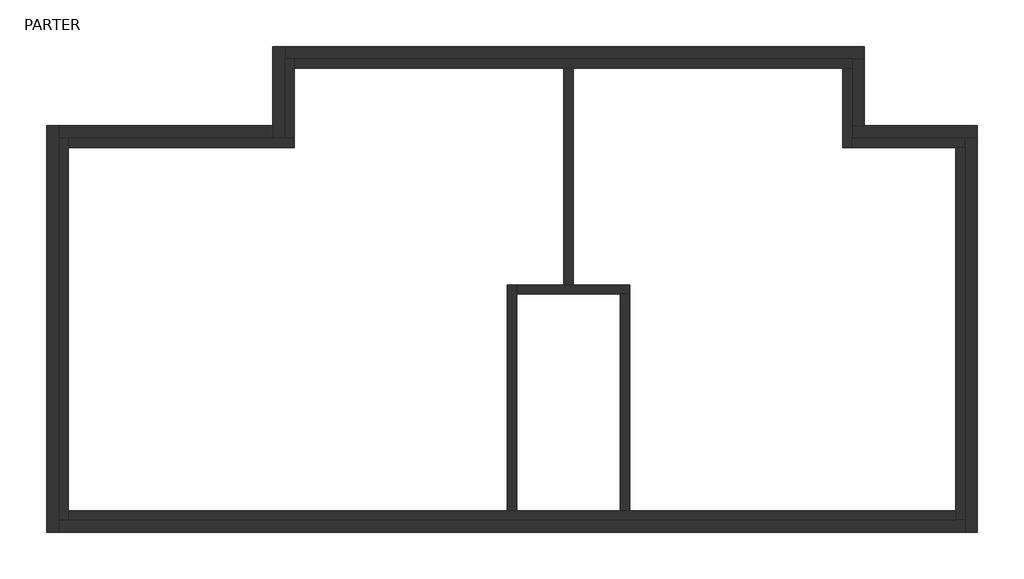
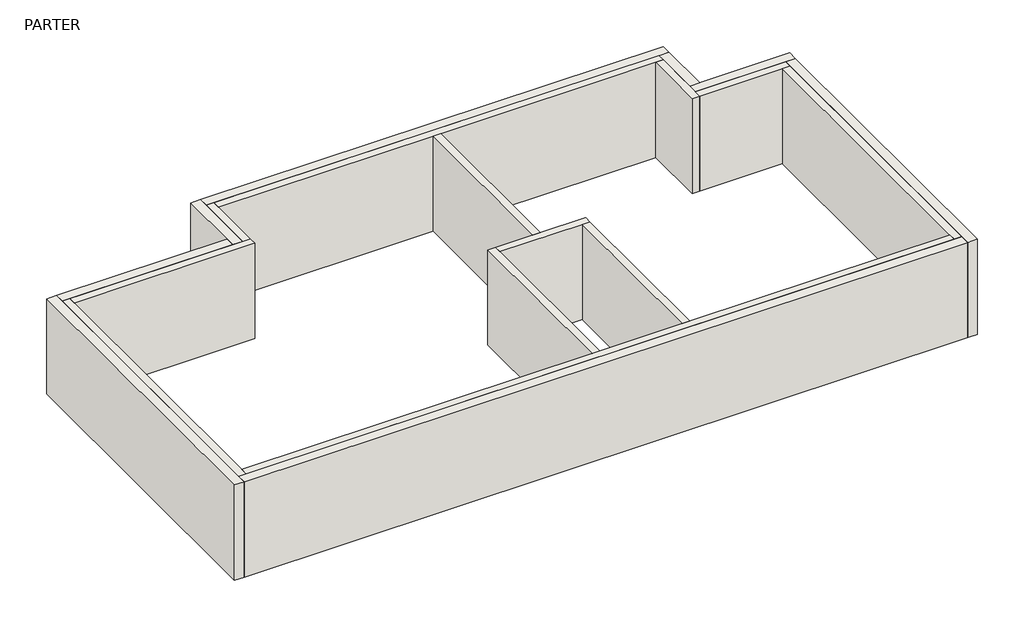
# One storey: 20 walls.
"""IFC4 building model written with IfcOpenShell, lengths in millimetres."""

from ifc_helpers import new_model, si_unit, origin, origin_with_axes, place, context, project, spatial, polyline, outline, extrude, faceted_brep, element, save

model = new_model("IFC4")

# Units and contexts
model_context = context("Model", 3, world=origin())
ifc_project = project(units=[si_unit("LENGTHUNIT", "METRE", prefix="MILLI")], contexts=[model_context])

# Site, building, storey
site = spatial("IfcSite", under=ifc_project)
building = spatial("IfcBuilding", under=site)
storey = spatial("IfcBuildingStorey", under=building, Name="PARTER", Elevation=0.0)

# Walls
placement = place(None, origin())
element("IfcWall", 1, at=placement, inside=storey, context=model_context, shape_type="Brep", body=[
    faceted_brep([(-10613.1368734, -7232.9760521, 0.0), (-10613.1368734, -6982.9760521, 0.0), (-10613.1368734, 2667.0239479, 0.0), (-10613.1368734, 2917.0239479, 0.0), (-10613.1368734, 2917.0239479, 3350.0), (-10613.1368734, 2667.0239479, 3350.0), (-10613.1368734, -6982.9760521, 3350.0), (-10613.1368734, -7232.9760521, 3350.0), (-10863.1368734, -7232.9760521, 0.0), (-10863.1368734, -7232.9760521, 3350.0), (-10863.1368734, 2917.0239479, 3350.0), (-10863.1368734, 2917.0239479, 0.0)], [[[0, 1, 2, 3, 4, 5, 6, 7]], [[8, 9, 10, 11]], [[3, 2, 1, 0, 8, 11]], [[7, 6, 5, 4, 10, 9]], [[4, 3, 11, 10]], [[0, 7, 9, 8]]]),
])
element("IfcWall", 2, at=placement, inside=storey, context=model_context, shape_type="Brep", body=[
    faceted_brep([(-10613.1368734, 2667.0239479, 0.0), (-4613.1368734, 2667.0239479, 0.0), (-4613.1368734, 2667.0239479, 3350.0), (-10613.1368734, 2667.0239479, 3350.0), (-10613.1368734, 2917.0239479, 0.0), (-10613.1368734, 2917.0239479, 3350.0), (-4863.1368734, 2917.0239479, 3350.0), (-4613.1368734, 2917.0239479, 3350.0), (-4613.1368734, 2917.0239479, 0.0), (-4863.1368734, 2917.0239479, 0.0)], [[[0, 1, 2, 3]], [[4, 5, 6, 7, 8, 9]], [[1, 0, 4, 9, 8]], [[3, 2, 7, 6, 5]], [[0, 3, 5, 4]], [[2, 1, 8, 7]]]),
])
element("IfcWall", 3, at=placement, inside=storey, context=model_context, shape_type="Brep", body=[
    faceted_brep([(-4613.1368734, 2917.0239479, 0.0), (-4613.1368734, 4767.0239479, 0.0), (-4613.1368734, 5017.0239479, 0.0), (-4613.1368734, 5017.0239479, 3350.0), (-4613.1368734, 4767.0239479, 3350.0), (-4613.1368734, 2917.0239479, 3350.0), (-4863.1368734, 2917.0239479, 0.0), (-4863.1368734, 2917.0239479, 3350.0), (-4863.1368734, 5017.0239479, 3350.0), (-4863.1368734, 5017.0239479, 0.0)], [[[0, 1, 2, 3, 4, 5]], [[6, 7, 8, 9]], [[2, 1, 0, 6, 9]], [[5, 4, 3, 8, 7]], [[0, 5, 7, 6]], [[3, 2, 9, 8]]]),
])
element("IfcWall", 4, at=placement, inside=storey, context=model_context, shape_type="Brep", body=[
    faceted_brep([(-4613.1368734, 4767.0239479, 0.0), (2536.8631266, 4767.0239479, 0.0), (2786.8631266, 4767.0239479, 0.0), (9936.8631266, 4767.0239479, 0.0), (10186.8631266, 4767.0239479, 0.0), (10186.8631266, 4767.0239479, 3350.0), (9936.8631266, 4767.0239479, 3350.0), (2786.8631266, 4767.0239479, 3350.0), (2536.8631266, 4767.0239479, 3350.0), (-4613.1368734, 4767.0239479, 3350.0), (-4613.1368734, 5017.0239479, 0.0), (-4613.1368734, 5017.0239479, 3350.0), (10186.8631266, 5017.0239479, 3350.0), (10186.8631266, 5017.0239479, 0.0)], [[[0, 1, 2, 3, 4, 5, 6, 7, 8, 9]], [[10, 11, 12, 13]], [[4, 3, 2, 1, 0, 10, 13]], [[9, 8, 7, 6, 5, 12, 11]], [[0, 9, 11, 10]], [[5, 4, 13, 12]]]),
])
element("IfcWall", 5, at=placement, inside=storey, context=model_context, shape_type="Brep", body=[
    faceted_brep([(9936.8631266, 4767.0239479, 0.0), (9936.8631266, 2667.0239479, 0.0), (9936.8631266, 2667.0239479, 3350.0), (9936.8631266, 4767.0239479, 3350.0), (10186.8631266, 4767.0239479, 0.0), (10186.8631266, 4767.0239479, 3350.0), (10186.8631266, 2917.0239479, 3350.0), (10186.8631266, 2667.0239479, 3350.0), (10186.8631266, 2667.0239479, 0.0), (10186.8631266, 2917.0239479, 0.0)], [[[0, 1, 2, 3]], [[4, 5, 6, 7, 8, 9]], [[1, 0, 4, 9, 8]], [[3, 2, 7, 6, 5]], [[0, 3, 5, 4]], [[2, 1, 8, 7]]]),
])
element("IfcWall", 6, at=placement, inside=storey, context=model_context, shape_type="Brep", body=[
    faceted_brep([(10186.8631266, 2667.0239479, 0.0), (12936.8631266, 2667.0239479, 0.0), (13186.8631266, 2667.0239479, 0.0), (13186.8631266, 2667.0239479, 3350.0), (12936.8631266, 2667.0239479, 3350.0), (10186.8631266, 2667.0239479, 3350.0), (10186.8631266, 2917.0239479, 0.0), (10186.8631266, 2917.0239479, 3350.0), (13186.8631266, 2917.0239479, 3350.0), (13186.8631266, 2917.0239479, 0.0)], [[[0, 1, 2, 3, 4, 5]], [[6, 7, 8, 9]], [[2, 1, 0, 6, 9]], [[5, 4, 3, 8, 7]], [[0, 5, 7, 6]], [[3, 2, 9, 8]]]),
])
element("IfcWall", 7, at=placement, inside=storey, context=model_context, shape_type="Brep", body=[
    faceted_brep([(12936.8631266, 2667.0239479, 0.0), (12936.8631266, -6982.9760521, 0.0), (12936.8631266, -7232.9760521, 0.0), (12936.8631266, -7232.9760521, 3350.0), (12936.8631266, -6982.9760521, 3350.0), (12936.8631266, 2667.0239479, 3350.0), (13186.8631266, 2667.0239479, 0.0), (13186.8631266, 2667.0239479, 3350.0), (13186.8631266, -7232.9760521, 3350.0), (13186.8631266, -7232.9760521, 0.0)], [[[0, 1, 2, 3, 4, 5]], [[6, 7, 8, 9]], [[2, 1, 0, 6, 9]], [[5, 4, 3, 8, 7]], [[0, 5, 7, 6]], [[3, 2, 9, 8]]]),
])
element("IfcWall", 8, at=placement, inside=storey, context=model_context, shape_type="Brep", body=[
    faceted_brep([(12936.8631266, -6982.9760521, 0.0), (4286.8631266, -6982.9760521, 0.0), (4036.8631266, -6982.9760521, 0.0), (1286.8631266, -6982.9760521, 0.0), (1036.8631266, -6982.9760521, 0.0), (-10613.1368734, -6982.9760521, 0.0), (-10613.1368734, -6982.9760521, 3350.0), (1036.8631266, -6982.9760521, 3350.0), (1286.8631266, -6982.9760521, 3350.0), (4036.8631266, -6982.9760521, 3350.0), (4286.8631266, -6982.9760521, 3350.0), (12936.8631266, -6982.9760521, 3350.0), (12936.8631266, -7232.9760521, 0.0), (12936.8631266, -7232.9760521, 3350.0), (-10613.1368734, -7232.9760521, 3350.0), (-10613.1368734, -7232.9760521, 0.0)], [[[0, 1, 2, 3, 4, 5, 6, 7, 8, 9, 10, 11]], [[12, 13, 14, 15]], [[5, 4, 3, 2, 1, 0, 12, 15]], [[11, 10, 9, 8, 7, 6, 14, 13]], [[6, 5, 15, 14]], [[0, 11, 13, 12]]]),
])
element("IfcWall", 9, at=placement, inside=storey, context=model_context, shape_type="Brep", body=[
    faceted_brep([(1286.8631266, -6982.9760521, 0.0), (1286.8631266, -1232.9760521, 0.0), (1286.8631266, -982.9760521, 0.0), (1286.8631266, -982.9760521, 3350.0), (1286.8631266, -1232.9760521, 3350.0), (1286.8631266, -6982.9760521, 3350.0), (1036.8631266, -6982.9760521, 0.0), (1036.8631266, -6982.9760521, 3350.0), (1036.8631266, -982.9760521, 3350.0), (1036.8631266, -982.9760521, 0.0)], [[[0, 1, 2, 3, 4, 5]], [[6, 7, 8, 9]], [[2, 1, 0, 6, 9]], [[5, 4, 3, 8, 7]], [[0, 5, 7, 6]], [[3, 2, 9, 8]]]),
])
element("IfcWall", 10, at=placement, inside=storey, context=model_context, shape_type="Brep", body=[
    faceted_brep([(1286.8631266, -1232.9760521, 0.0), (4036.8631266, -1232.9760521, 0.0), (4286.8631266, -1232.9760521, 0.0), (4286.8631266, -1232.9760521, 3350.0), (4036.8631266, -1232.9760521, 3350.0), (1286.8631266, -1232.9760521, 3350.0), (1286.8631266, -982.9760521, 0.0), (1286.8631266, -982.9760521, 3350.0), (2536.8631266, -982.9760521, 3350.0), (2786.8631266, -982.9760521, 3350.0), (4286.8631266, -982.9760521, 3350.0), (4286.8631266, -982.9760521, 0.0), (2786.8631266, -982.9760521, 0.0), (2536.8631266, -982.9760521, 0.0)], [[[0, 1, 2, 3, 4, 5]], [[6, 7, 8, 9, 10, 11, 12, 13]], [[2, 1, 0, 6, 13, 12, 11]], [[5, 4, 3, 10, 9, 8, 7]], [[0, 5, 7, 6]], [[3, 2, 11, 10]]]),
])
element("IfcWall", 11, at=placement, inside=storey, context=model_context, shape_type="SweptSolid", body=[
    extrude(outline(polyline([(4036.8631266, -6982.9760521), (4036.8631266, -1232.9760521), (4286.8631266, -1232.9760521), (4286.8631266, -6982.9760521), (4036.8631266, -6982.9760521)])), origin_with_axes(), (0.0, 0.0, 1.0), 3350.0),
])
element("IfcWall", 12, at=placement, inside=storey, context=model_context, shape_type="SweptSolid", body=[
    extrude(outline(polyline([(2786.8631266, 4767.0239479), (2786.8631266, -982.9760521), (2536.8631266, -982.9760521), (2536.8631266, 4767.0239479), (2786.8631266, 4767.0239479)])), origin_with_axes(), (0.0, 0.0, 1.0), 3350.0),
])
element("IfcWall", 13, at=placement, inside=storey, context=model_context, shape_type="Brep", body=[
    faceted_brep([(-10863.1368734, -7562.9760521, 0.0), (-10863.1368734, -7232.9760521, 0.0), (-10863.1368734, 2917.0239479, 0.0), (-10863.1368734, 3247.0239479, 0.0), (-10863.1368734, 3247.0239479, 3350.0), (-10863.1368734, 2917.0239479, 3350.0), (-10863.1368734, -7232.9760521, 3350.0), (-10863.1368734, -7562.9760521, 3350.0), (-11193.1368734, -7562.9760521, 0.0), (-11193.1368734, -7562.9760521, 3350.0), (-11193.1368734, 3247.0239479, 3350.0), (-11193.1368734, 3247.0239479, 0.0)], [[[0, 1, 2, 3, 4, 5, 6, 7]], [[8, 9, 10, 11]], [[3, 2, 1, 0, 8, 11]], [[7, 6, 5, 4, 10, 9]], [[4, 3, 11, 10]], [[0, 7, 9, 8]]]),
])
element("IfcWall", 14, at=placement, inside=storey, context=model_context, shape_type="SweptSolid", body=[
    extrude(outline(polyline([(-10863.1368734, 2917.0239479), (-10863.1368734, 3247.0239479), (-5193.1368734, 3247.0239479), (-5193.1368734, 2917.0239479), (-10863.1368734, 2917.0239479)])), origin_with_axes(), (0.0, 0.0, 1.0), 3350.0),
])
element("IfcWall", 15, at=placement, inside=storey, context=model_context, shape_type="Brep", body=[
    faceted_brep([(-4863.1368734, 2917.0239479, 0.0), (-4863.1368734, 5017.0239479, 0.0), (-4863.1368734, 5347.0239479, 0.0), (-4863.1368734, 5347.0239479, 3350.0), (-4863.1368734, 5017.0239479, 3350.0), (-4863.1368734, 2917.0239479, 3350.0), (-5193.1368734, 2917.0239479, 0.0), (-5193.1368734, 2917.0239479, 3350.0), (-5193.1368734, 3247.0239479, 3350.0), (-5193.1368734, 5347.0239479, 3350.0), (-5193.1368734, 5347.0239479, 0.0), (-5193.1368734, 3247.0239479, 0.0)], [[[0, 1, 2, 3, 4, 5]], [[6, 7, 8, 9, 10, 11]], [[2, 1, 0, 6, 11, 10]], [[5, 4, 3, 9, 8, 7]], [[0, 5, 7, 6]], [[3, 2, 10, 9]]]),
])
element("IfcWall", 16, at=placement, inside=storey, context=model_context, shape_type="Brep", body=[
    faceted_brep([(-4863.1368734, 5017.0239479, 0.0), (10186.8631266, 5017.0239479, 0.0), (10516.8631266, 5017.0239479, 0.0), (10516.8631266, 5017.0239479, 3350.0), (10186.8631266, 5017.0239479, 3350.0), (-4863.1368734, 5017.0239479, 3350.0), (-4863.1368734, 5347.0239479, 0.0), (-4863.1368734, 5347.0239479, 3350.0), (10516.8631266, 5347.0239479, 3350.0), (10516.8631266, 5347.0239479, 0.0)], [[[0, 1, 2, 3, 4, 5]], [[6, 7, 8, 9]], [[2, 1, 0, 6, 9]], [[5, 4, 3, 8, 7]], [[0, 5, 7, 6]], [[3, 2, 9, 8]]]),
])
element("IfcWall", 17, at=placement, inside=storey, context=model_context, shape_type="SweptSolid", body=[
    extrude(outline(polyline([(10186.8631266, 5017.0239479), (10516.8631266, 5017.0239479), (10516.8631266, 3247.0239479), (10186.8631266, 3247.0239479), (10186.8631266, 5017.0239479)])), origin_with_axes(), (0.0, 0.0, 1.0), 3350.0),
])
element("IfcWall", 18, at=placement, inside=storey, context=model_context, shape_type="Brep", body=[
    faceted_brep([(10186.8631266, 2917.0239479, 0.0), (13186.8631266, 2917.0239479, 0.0), (13516.8631266, 2917.0239479, 0.0), (13516.8631266, 2917.0239479, 3350.0), (13186.8631266, 2917.0239479, 3350.0), (10186.8631266, 2917.0239479, 3350.0), (10186.8631266, 3247.0239479, 0.0), (10186.8631266, 3247.0239479, 3350.0), (10516.8631266, 3247.0239479, 3350.0), (13516.8631266, 3247.0239479, 3350.0), (13516.8631266, 3247.0239479, 0.0), (10516.8631266, 3247.0239479, 0.0)], [[[0, 1, 2, 3, 4, 5]], [[6, 7, 8, 9, 10, 11]], [[2, 1, 0, 6, 11, 10]], [[5, 4, 3, 9, 8, 7]], [[0, 5, 7, 6]], [[3, 2, 10, 9]]]),
])
element("IfcWall", 19, at=placement, inside=storey, context=model_context, shape_type="Brep", body=[
    faceted_brep([(13186.8631266, 2917.0239479, 0.0), (13186.8631266, -7232.9760521, 0.0), (13186.8631266, -7562.9760521, 0.0), (13186.8631266, -7562.9760521, 3350.0), (13186.8631266, -7232.9760521, 3350.0), (13186.8631266, 2917.0239479, 3350.0), (13516.8631266, 2917.0239479, 0.0), (13516.8631266, 2917.0239479, 3350.0), (13516.8631266, -7562.9760521, 3350.0), (13516.8631266, -7562.9760521, 0.0)], [[[0, 1, 2, 3, 4, 5]], [[6, 7, 8, 9]], [[2, 1, 0, 6, 9]], [[5, 4, 3, 8, 7]], [[0, 5, 7, 6]], [[3, 2, 9, 8]]]),
])
element("IfcWall", 20, at=placement, inside=storey, context=model_context, shape_type="SweptSolid", body=[
    extrude(outline(polyline([(-10863.1368734, -7232.9760521), (13186.8631266, -7232.9760521), (13186.8631266, -7562.9760521), (-10863.1368734, -7562.9760521), (-10863.1368734, -7232.9760521)])), origin_with_axes(), (0.0, 0.0, 1.0), 3350.0),
])

save(model, "model.ifc")
